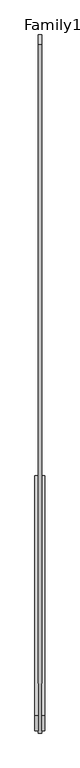
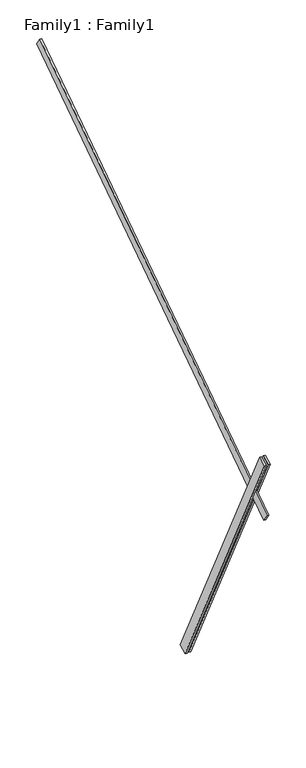
"""IFC4 building model written with IfcOpenShell, lengths in millimetres: proxy geometry, Family1 : Family1."""

from ifc_helpers import new_model, si_unit, frame, origin, place, context, project, spatial, polyline, outline, extrude, source, transform, mapped, element, save


def family1_family1_cb6e8372(model_context):
    return source(origin(), model_context, "Body", "SweptSolid", [
        extrude(outline(polyline([(0.0, 0.0), (-100.0000001, 0.0), (-100.0000001, 20.0), (0.0, 20.0), (0.0, 0.0)])), frame((-30.0, -46.3241747, -22.5938096), z_axis=(0.0, -0.4383711467890692, 0.8987940462991711), x_axis=(0.0, -0.8987940462991711, -0.4383711467890692)), (0.0, 0.0, 1.0), 3300.0),
        extrude(outline(polyline([(0.0, 0.0), (-99.9999999, 0.0), (-99.9999999, 20.0), (0.0, 20.0), (0.0, 0.0)])), frame((10.0, -45.270232, -22.0797674), z_axis=(0.0, -0.4383711467890692, 0.8987940462991711), x_axis=(0.0, -0.8987940462991711, -0.4383711467890692)), (0.0, 0.0, 1.0), 3300.0),
        extrude(outline(polyline([(0.0, 20.0), (5000.0, 20.0), (5000.0, 0.0), (0.0, 0.0), (0.0, 20.0)])), frame((-10.0, 2695.5565345, 5102.4064741), z_axis=(0.0, -0.5591929034707486, 0.8290375725550405), x_axis=(0.0, -0.8290375725550405, -0.5591929034707486)), (0.0, 0.0, 1.0), 100.0),
    ])


if __name__ == "__main__":
    model = new_model("IFC4")
    model_context = context("Model", 3, world=origin())
    ifc_project = project(units=[si_unit("LENGTHUNIT", "METRE", prefix="MILLI")], contexts=[model_context])
    site = spatial("IfcSite", under=ifc_project)
    building = spatial("IfcBuilding", under=site)
    placement = place(None, origin())
    family1_family1_shape = family1_family1_cb6e8372(model_context)
    element("IfcBuildingElementProxy", 1, Name="Family1 : Family1", ObjectType="Family1 : Family1", at=placement, inside=building, context=model_context, shape_type="MappedRepresentation", body=[
        mapped(family1_family1_shape, transform((0.0, 0.0, 0.0), x_axis=(1.0, 0.0, 0.0), y_axis=(0.0, 1.0, 0.0), z_axis=(0.0, 0.0, 1.0))),
    ])
    save(model, "model.ifc")
